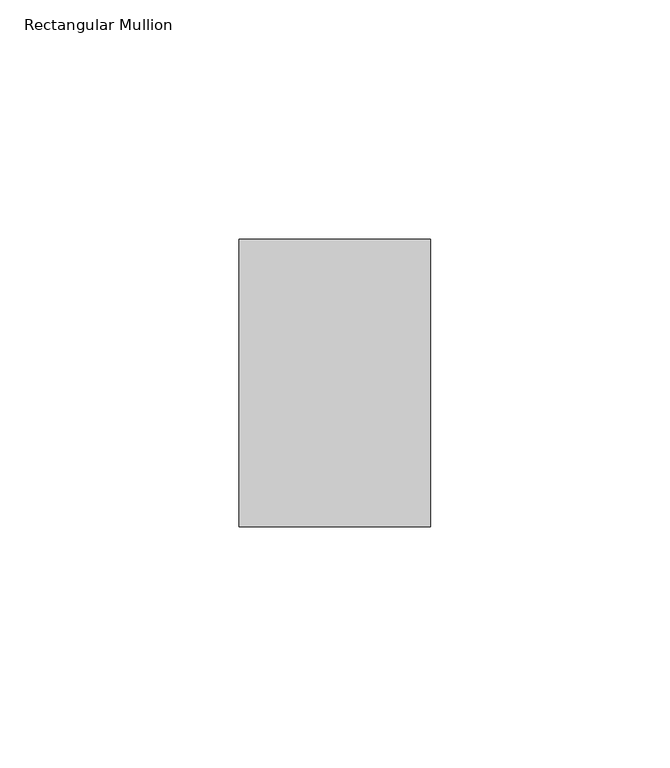
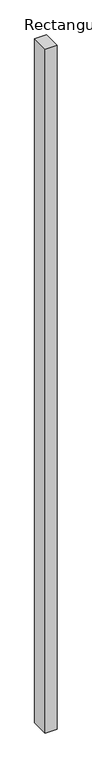
"""IFC4 building model written with IfcOpenShell, lengths in millimetres: member geometry, Rectangular Mullion."""

import ifcopenshell
import ifcopenshell.guid

model = None  # the IFC model being written
_history = None  # IfcOwnerHistory: only IFC2X3 demands one
_inside = {}  # id of a spatial element -> (the spatial element, [elements in it])
_under = {}  # id of a project, library or spatial element -> (it, [spatial elements below it])
_declared = {}  # id of a project -> (the project, [libraries it declares])
_typed = {}  # id of a type object -> (the type object, [elements of that type])
_made_of = {}  # id of a material, layer set ... -> (it, [elements and type objects made of it])


def new_model(schema):
    """Start an empty IFC model of exactly this schema.

    Asked for "IFC4X3", IfcOpenShell would pick the latest addendum, in which some entities
    have other attributes; the version numbers below select the first issue.
    IFC2X3 requires an IfcOwnerHistory on every rooted entity: one is made here for all.
    """
    global model, _history
    if schema == "IFC4X3":
        model = ifcopenshell.file(schema_version=(4, 3, 0, 0))
    else:
        model = ifcopenshell.file(schema=schema)
    _inside.clear()
    _under.clear()
    _declared.clear()
    _typed.clear()
    _made_of.clear()
    _history = None
    if model.schema == "IFC2X3":
        org = make("IfcOrganization", Name="unknown")
        user = make(
            "IfcPersonAndOrganization",
            ThePerson=make("IfcPerson", FamilyName="unknown"),
            TheOrganization=org,
        )
        app = make(
            "IfcApplication",
            ApplicationDeveloper=org,
            Version="unknown",
            ApplicationFullName="unknown",
            ApplicationIdentifier="unknown",
        )
        _history = make(
            "IfcOwnerHistory",
            OwningUser=user,
            OwningApplication=app,
            ChangeAction="ADDED",
            CreationDate=0,
        )
    return model


def make(cls, **values):
    """One entity of the class cls with the attributes given. An attribute that is None is left unset."""
    return model.create_entity(
        cls, **{name: value for name, value in values.items() if value is not None}
    )


def rooted(cls, **values):
    """An entity with a GlobalId (a new one), such as an element, a storey or a relation."""
    return make(cls, GlobalId=ifcopenshell.guid.new(), OwnerHistory=_history, **values)


def si_unit(unit_type, name, prefix=None):
    """IfcSIUnit, for example si_unit("LENGTHUNIT", "METRE", prefix="MILLI")."""
    return make("IfcSIUnit", UnitType=unit_type, Prefix=prefix, Name=name)


def assignment(units):
    """IfcUnitAssignment: the units of a project."""
    return None if units is None else make("IfcUnitAssignment", Units=units)


def point(xyz):
    """IfcCartesianPoint."""
    return None if xyz is None else make("IfcCartesianPoint", Coordinates=xyz)


def direction(xyz):
    """IfcDirection."""
    return None if xyz is None else make("IfcDirection", DirectionRatios=xyz)


def frame(location, z_axis=None, x_axis=None):
    """IfcAxis2Placement3D, a coordinate frame: its origin and axes. An axis left out is left unset."""
    return make(
        "IfcAxis2Placement3D",
        Location=point(location),
        Axis=direction(z_axis),
        RefDirection=direction(x_axis),
    )


def origin():
    """The frame at (0, 0, 0) with its axes left unset."""
    return frame((0.0, 0.0, 0.0))


def place(relative_to, where):
    """IfcLocalPlacement: puts the frame where relative to a parent placement (None: the world)."""
    return make(
        "IfcLocalPlacement", PlacementRelTo=relative_to, RelativePlacement=where
    )


def context(
    kind, dimensions, precision=None, world=None, true_north=None, identifier=None
):
    """IfcGeometricRepresentationContext, for example the 3D "Model" context."""
    return make(
        "IfcGeometricRepresentationContext",
        ContextIdentifier=identifier,
        ContextType=kind,
        CoordinateSpaceDimension=dimensions,
        Precision=precision,
        WorldCoordinateSystem=world,
        TrueNorth=true_north,
    )


def project(units=None, contexts=None):
    """IfcProject with its units and contexts."""
    return rooted(
        "IfcProject",
        Name="project",
        RepresentationContexts=contexts,
        UnitsInContext=assignment(units),
    )


def spatial(cls, under=None, at=None, **own):
    """A site, building, storey or space (cls), placed at a placement, below another one or the project."""
    s = rooted(cls, ObjectPlacement=at, **own)
    if under is not None:
        _under.setdefault(under.id(), (under, []))[1].append(s)
    return s


def polyline(points):
    """IfcPolyline through the points."""
    return make("IfcPolyline", Points=[point(p) for p in points])


def outline(outer, holes=None, kind="AREA"):
    """IfcArbitraryClosedProfileDef: a profile drawn as a closed curve; with holes, ...WithVoids."""
    if holes is None:
        return make("IfcArbitraryClosedProfileDef", ProfileType=kind, OuterCurve=outer)
    return make(
        "IfcArbitraryProfileDefWithVoids",
        ProfileType=kind,
        OuterCurve=outer,
        InnerCurves=holes,
    )


def extrude(swept, where, along, depth):
    """IfcExtrudedAreaSolid: the profile swept, set in the frame where, extruded along a direction by depth."""
    return make(
        "IfcExtrudedAreaSolid",
        SweptArea=swept,
        Position=where,
        ExtrudedDirection=direction(along),
        Depth=depth,
    )


def shape(context_of_items, identifier, shape_type, items):
    """IfcShapeRepresentation: the items that make up one representation, for example the "Body"."""
    return make(
        "IfcShapeRepresentation",
        ContextOfItems=context_of_items,
        RepresentationIdentifier=identifier,
        RepresentationType=shape_type,
        Items=items,
    )


def source(mapping_origin, context_of_items, identifier, shape_type, items):
    """IfcRepresentationMap: a shape defined once, which mapped items show again and again."""
    return make(
        "IfcRepresentationMap",
        MappingOrigin=mapping_origin,
        MappedRepresentation=shape(context_of_items, identifier, shape_type, items),
    )


def transform(
    local_origin,
    x_axis=None,
    y_axis=None,
    z_axis=None,
    scale=None,
    scale2=None,
    scale3=None,
    uniform=True,
):
    """IfcCartesianTransformationOperator3D, or its non-uniform kind. x_axis, y_axis, z_axis: its Axis1, 2, 3."""
    if uniform:
        return make(
            "IfcCartesianTransformationOperator3D",
            Axis1=direction(x_axis),
            Axis2=direction(y_axis),
            LocalOrigin=point(local_origin),
            Scale=scale,
            Axis3=direction(z_axis),
        )
    return make(
        "IfcCartesianTransformationOperator3DnonUniform",
        Axis1=direction(x_axis),
        Axis2=direction(y_axis),
        LocalOrigin=point(local_origin),
        Scale=scale,
        Axis3=direction(z_axis),
        Scale2=scale2,
        Scale3=scale3,
    )


def mapped(mapping_source, mapping_target):
    """IfcMappedItem: shows the shape of a source again, moved by a transform."""
    return make(
        "IfcMappedItem", MappingSource=mapping_source, MappingTarget=mapping_target
    )


def made_of(thing, what):
    """Note that an element or type object is made of a material, layer set ...; save() writes the relation."""
    if what is not None:
        _made_of.setdefault(what.id(), (what, []))[1].append(thing)
    return thing


def element(
    cls,
    number,
    at=None,
    inside=None,
    cuts=None,
    type_object=None,
    material=None,
    context=None,
    identifier="Body",
    shape_type=None,
    held_by="IfcProductDefinitionShape",
    body=None,
    shapes=None,
    **own,
):
    """One element of the class cls, such as IfcWall. Its Tag is "e" and its number.

    at: its placement. inside: the storey or other place that contains it. cuts: it is an
    opening in that element (IfcRelVoidsElement). A single representation is given by context,
    identifier, shape_type and body (its items); several are given by shapes. held_by: the class
    of the entity that holds the representations. save() writes the other relations.
    """
    e = rooted(cls, Tag="e%d" % number, ObjectPlacement=at, **own)
    if body is not None:
        shapes = [shape(context, identifier, shape_type, body)]
    if shapes is not None:
        e.Representation = make(held_by, Representations=shapes)
    if inside is not None:
        _inside.setdefault(inside.id(), (inside, []))[1].append(e)
    if cuts is not None:
        rooted(
            "IfcRelVoidsElement", RelatingBuildingElement=cuts, RelatedOpeningElement=e
        )
    if type_object is not None:
        _typed.setdefault(type_object.id(), (type_object, []))[1].append(e)
    return made_of(e, material)


def aggregate(whole, parts):
    """IfcRelAggregates: a whole, such as a stair, and the parts it consists of."""
    return rooted("IfcRelAggregates", RelatingObject=whole, RelatedObjects=parts)


def save(model, path):
    """Write the relations noted so far, then the file.

    IfcRelAggregates (storeys below a building ...), IfcRelContainedInSpatialStructure (elements
    in a storey), IfcRelDefinesByType, IfcRelAssociatesMaterial and IfcRelDeclares: one each for
    every whole, place, type object, material and project.
    """
    for whole, parts in _under.values():
        aggregate(whole, parts)
    for where, things in _inside.values():
        rooted(
            "IfcRelContainedInSpatialStructure",
            RelatedElements=things,
            RelatingStructure=where,
        )
    for kind, things in _typed.values():
        rooted("IfcRelDefinesByType", RelatedObjects=things, RelatingType=kind)
    for what, things in _made_of.values():
        rooted("IfcRelAssociatesMaterial", RelatedObjects=things, RelatingMaterial=what)
    for by, libraries in _declared.values():
        rooted("IfcRelDeclares", RelatingContext=by, RelatedDefinitions=libraries)
    model.write(path)


def rectangular_mullion_a47e18b7(model_context):
    return source(origin(), model_context, "Body", "SweptSolid", [
        extrude(outline(polyline([(0.0, 65.0), (0.0, 5.0), (-40.0, 5.0), (-40.0, 65.0), (0.0, 65.0)])), frame((0.0, 0.0, -2400.0), z_axis=(0.0, 0.0, 1.0), x_axis=(1.0, 0.0, 0.0)), (0.0, 0.0, 1.0), 2400.0),
    ])


if __name__ == "__main__":
    model = new_model("IFC4")
    model_context = context("Model", 3, world=origin())
    ifc_project = project(units=[si_unit("LENGTHUNIT", "METRE", prefix="MILLI")], contexts=[model_context])
    site = spatial("IfcSite", under=ifc_project)
    building = spatial("IfcBuilding", under=site)
    placement = place(None, origin())
    rectangular_mullion_shape = rectangular_mullion_a47e18b7(model_context)
    element("IfcMember", 1, ObjectType="Rectangular Mullion", at=placement, inside=building, context=model_context, shape_type="MappedRepresentation", body=[
        mapped(rectangular_mullion_shape, transform((0.0, 0.0, 0.0), x_axis=(1.0, 0.0, 0.0), y_axis=(0.0, 1.0, 0.0), z_axis=(0.0, 0.0, 1.0))),
    ])
    save(model, "model.ifc")
